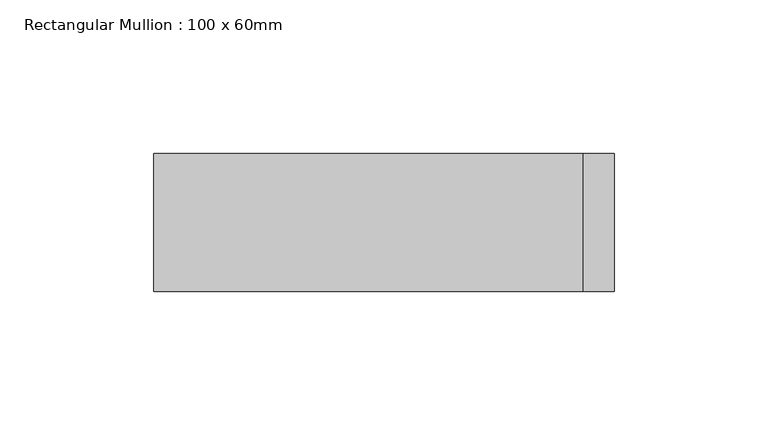
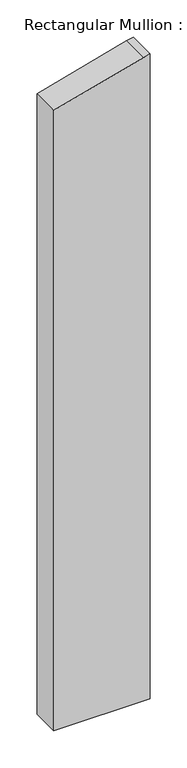
"""IFC4 building model written with IfcOpenShell, lengths in millimetres: member geometry, Rectangular Mullion : 100 x 60mm."""

from ifc_helpers import new_model, si_unit, frame, origin, place, context, project, spatial, polyline, outline, extrude, source, transform, mapped, element, save


def rectangular_mullion_100_x_60mm_59f7b130(model_context):
    return source(origin(), model_context, "Body", "SweptSolid", [
        extrude(outline(polyline([(-238.7228557, 75.0), (-241.4814566, 64.7047613), (-278.9152345, -75.0), (-1299.3999381, -75.0), (-1299.3999381, 75.0), (-238.7228557, 75.0)])), frame((0.0, -30.0, 0.0), z_axis=(0.0, 1.0, 0.0), x_axis=(0.0, 0.0, 1.0)), (0.0, 0.0, 1.0), 45.0),
    ])


if __name__ == "__main__":
    model = new_model("IFC4")
    model_context = context("Model", 3, world=origin())
    ifc_project = project(units=[si_unit("LENGTHUNIT", "METRE", prefix="MILLI")], contexts=[model_context])
    site = spatial("IfcSite", under=ifc_project)
    building = spatial("IfcBuilding", under=site)
    placement = place(None, origin())
    rectangular_mullion_100_x_60mm_shape = rectangular_mullion_100_x_60mm_59f7b130(model_context)
    element("IfcMember", 1, ObjectType="Rectangular Mullion : 100 x 60mm", at=placement, inside=building, context=model_context, shape_type="MappedRepresentation", body=[
        mapped(rectangular_mullion_100_x_60mm_shape, transform((0.0, 0.0, 0.0), x_axis=(1.0, 0.0, 0.0), y_axis=(0.0, 1.0, 0.0), z_axis=(0.0, 0.0, 1.0))),
    ])
    save(model, "model.ifc")
